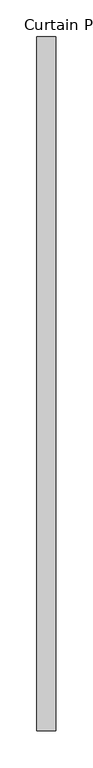
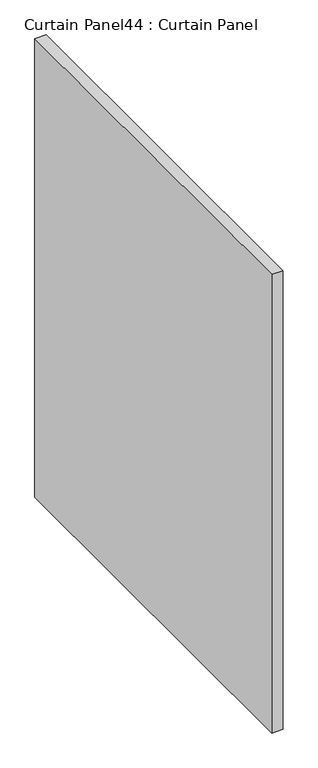
"""IFC4 building model written with IfcOpenShell, lengths in millimetres: plate geometry, Curtain Panel44 : Curtain Panel."""

from ifc_helpers import new_model, si_unit, frame, origin, place, context, project, spatial, polyline, outline, extrude, source, transform, mapped, element, save


def curtain_panel44_curtain_panel_181db42d(model_context):
    return source(origin(), model_context, "Body", "SweptSolid", [
        extrude(outline(polyline([(-38237.456025, -2869.3631042), (-38237.456025, -3809.6577532), (-38262.856025, -3809.6577532), (-38262.856025, -2869.3631042), (-38237.456025, -2869.3631042)])), frame((0.0, 0.0, 2479.690875), z_axis=(0.0, 0.0, 1.0), x_axis=(1.0, 0.0, 0.0)), (0.0, 0.0, 1.0), 1110.0804009),
    ])


if __name__ == "__main__":
    model = new_model("IFC4")
    model_context = context("Model", 3, world=origin())
    ifc_project = project(units=[si_unit("LENGTHUNIT", "METRE", prefix="MILLI")], contexts=[model_context])
    site = spatial("IfcSite", under=ifc_project)
    building = spatial("IfcBuilding", under=site)
    placement = place(None, origin())
    curtain_panel44_curtain_panel_shape = curtain_panel44_curtain_panel_181db42d(model_context)
    element("IfcPlate", 1, ObjectType="Curtain Panel44 : Curtain Panel", at=placement, inside=building, context=model_context, shape_type="MappedRepresentation", body=[
        mapped(curtain_panel44_curtain_panel_shape, transform((0.0, 0.0, 0.0), x_axis=(1.0, 0.0, 0.0), y_axis=(0.0, 1.0, 0.0), z_axis=(0.0, 0.0, 1.0))),
    ])
    save(model, "model.ifc")
